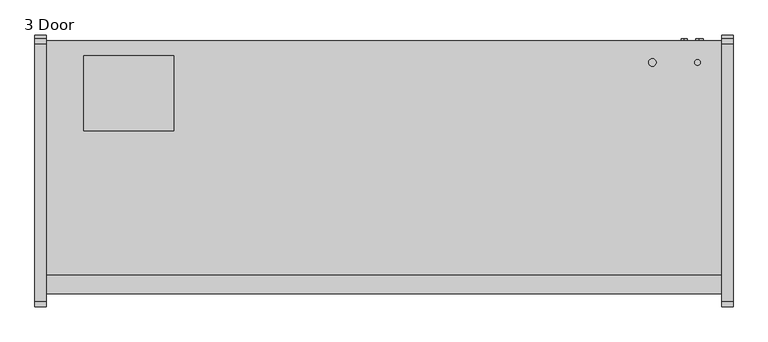
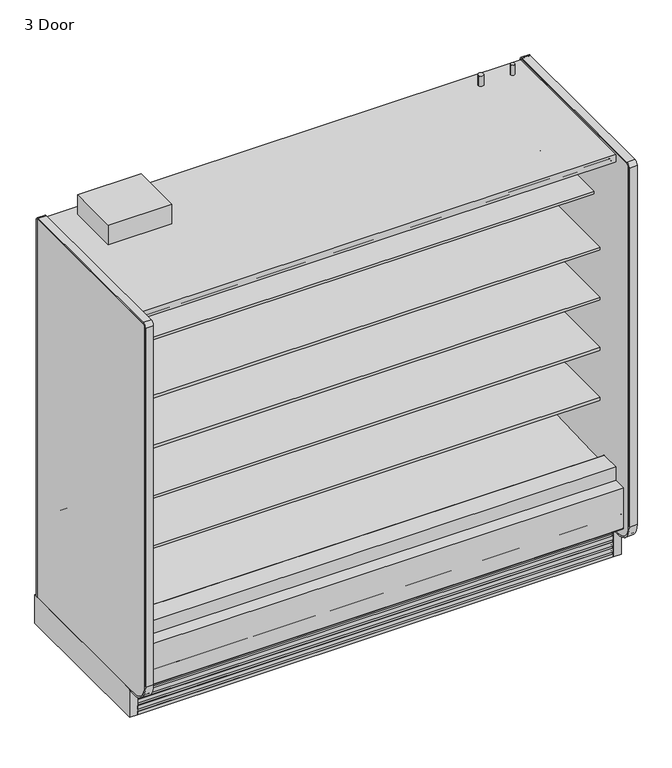
"""IFC4 building model written with IfcOpenShell, lengths in millimetres: proxy geometry, 3 Door."""

from ifc_helpers import new_model, si_unit, point, frame, frame_2d, origin, origin_with_axes, place, context, project, spatial, polyline, circle_curve, trimmed, segment, composite_curve, outline, extrude, source, transform, mapped, element, save
from ifc_brep_helpers import plane_surface, revolved_surface, advanced_brep


def proxy_3_door_563b2400(model_context):
    return source(origin(), model_context, "Body", "SolidModel", [
        extrude(outline(composite_curve([segment(trimmed(circle_curve(frame_2d((2203.45, -429.4247809)), 9.525), [point((2193.925, -429.4247809))], [point((2212.975, -429.4247809))], False, "CARTESIAN"), True, "CONTINUOUS"), segment(trimmed(circle_curve(frame_2d((2203.45, -429.4247809)), 9.525), [point((2212.975, -429.4247809))], [point((2193.925, -429.4247809))], False, "CARTESIAN"), True, "CONTINUOUS")], self_intersect=False)), frame((0.0, 0.0, 2058.9904091), z_axis=(0.0, 0.0, 1.0), x_axis=(1.0, 0.0, 0.0)), (0.0, 0.0, 1.0), 50.8),
        extrude(outline(composite_curve([segment(trimmed(circle_curve(frame_2d((2051.05, -429.4247809)), 12.7), [point((2038.35, -429.4247809))], [point((2063.75, -429.4247809))], False, "CARTESIAN"), True, "CONTINUOUS"), segment(trimmed(circle_curve(frame_2d((2051.05, -429.4247809)), 12.7), [point((2063.75, -429.4247809))], [point((2038.35, -429.4247809))], False, "CARTESIAN"), True, "CONTINUOUS")], self_intersect=False)), frame((0.0, 0.0, 2058.9904091), z_axis=(0.0, 0.0, 1.0), x_axis=(1.0, 0.0, 0.0)), (0.0, 0.0, 1.0), 50.8),
        extrude(outline(composite_curve([segment(polyline([(-349.0071273, 2056.656972), (-349.0071273, 143.2306), (-355.3571273, 143.2306), (-355.3571273, 2056.656972)]), True, "CONTINUOUS"), segment(trimmed(circle_curve(frame_2d((-365.6251553, 2056.656972)), 10.268028), [point((-355.3571273, 2056.656972))], [point((-365.6251553, 2066.925))], True, "CARTESIAN"), True, "CONTINUOUS"), segment(polyline([(-365.6251553, 2066.925), (-1237.4724391, 2066.925)]), True, "CONTINUOUS"), segment(trimmed(circle_curve(frame_2d((-1237.4724391, 2054.225)), 12.7), [point((-1237.4724391, 2066.925))], [point((-1250.1724391, 2054.225))], True, "CARTESIAN"), True, "CONTINUOUS"), segment(polyline([(-1250.1724391, 2054.225), (-1250.1724391, 232.1306)]), True, "CONTINUOUS"), segment(trimmed(circle_curve(frame_2d((-1161.2724391, 232.1306)), 88.9), [point((-1250.1724391, 232.1306))], [point((-1161.2724391, 143.2306))], True, "CARTESIAN"), True, "CONTINUOUS"), segment(polyline([(-1161.2724391, 143.2306), (-1124.0599223, 143.2306), (-1124.0599223, 136.8806), (-1161.2724391, 136.8806)]), True, "CONTINUOUS"), segment(trimmed(circle_curve(frame_2d((-1161.2724391, 232.1306)), 95.25), [point((-1161.2724391, 136.8806))], [point((-1256.5224391, 232.1306))], False, "CARTESIAN"), True, "CONTINUOUS"), segment(polyline([(-1256.5224391, 232.1306), (-1256.5224391, 2054.225)]), True, "CONTINUOUS"), segment(trimmed(circle_curve(frame_2d((-1237.4724391, 2054.225)), 19.05), [point((-1256.5224391, 2054.225))], [point((-1237.4724391, 2073.275))], False, "CARTESIAN"), True, "CONTINUOUS"), segment(polyline([(-1237.4724391, 2073.275), (-365.6251553, 2073.275)]), True, "CONTINUOUS"), segment(trimmed(circle_curve(frame_2d((-365.6251553, 2056.656972)), 16.618028), [point((-365.6251553, 2073.275))], [point((-349.0071273, 2056.656972))], False, "CARTESIAN"), True, "CONTINUOUS")], self_intersect=False)), frame((2286.0, 0.0, 0.0), z_axis=(1.0, 0.0, 0.0), x_axis=(0.0, 1.0, 0.0)), (0.0, 0.0, 1.0), 38.1),
        extrude(outline(polyline([(2324.1, -336.3071273), (2324.1, -1124.0599223), (2286.0, -1124.0599223), (2286.0, -336.3071273), (2324.1, -336.3071273)])), origin_with_axes(), (0.0, 0.0, 1.0), 143.2306),
        extrude(outline(composite_curve([segment(polyline([(-1250.1724391, 232.1306), (-1250.1724391, 2054.225)]), True, "CONTINUOUS"), segment(trimmed(circle_curve(frame_2d((-1237.4724391, 2054.225)), 12.7), [point((-1250.1724391, 2054.225))], [point((-1237.4724391, 2066.925))], False, "CARTESIAN"), True, "CONTINUOUS"), segment(polyline([(-1237.4724391, 2066.925), (-365.6251553, 2066.925)]), True, "CONTINUOUS"), segment(trimmed(circle_curve(frame_2d((-365.6251553, 2056.656972)), 10.268028), [point((-365.6251553, 2066.925))], [point((-355.3571273, 2056.656972))], False, "CARTESIAN"), True, "CONTINUOUS"), segment(polyline([(-355.3571273, 2056.656972), (-355.3571273, 143.2306), (-1161.2724391, 143.2306)]), True, "CONTINUOUS"), segment(trimmed(circle_curve(frame_2d((-1161.2724391, 232.1306)), 88.9), [point((-1161.2724391, 143.2306))], [point((-1250.1724391, 232.1306))], False, "CARTESIAN"), True, "CONTINUOUS")], self_intersect=False)), frame((2286.0, 0.0, 0.0), z_axis=(1.0, 0.0, 0.0), x_axis=(0.0, 1.0, 0.0)), (0.0, 0.0, 1.0), 38.1),
        extrude(outline(composite_curve([segment(polyline([(-1124.0599223, 136.8806), (-1161.2724391, 136.8806)]), True, "CONTINUOUS"), segment(trimmed(circle_curve(frame_2d((-1161.2724391, 232.1306)), 95.25), [point((-1161.2724391, 136.8806))], [point((-1256.5224391, 232.1306))], False, "CARTESIAN"), True, "CONTINUOUS"), segment(polyline([(-1256.5224391, 232.1306), (-1256.5224391, 2054.225)]), True, "CONTINUOUS"), segment(trimmed(circle_curve(frame_2d((-1237.4724391, 2054.225)), 19.05), [point((-1256.5224391, 2054.225))], [point((-1237.4724391, 2073.275))], False, "CARTESIAN"), True, "CONTINUOUS"), segment(polyline([(-1237.4724391, 2073.275), (-365.6251553, 2073.275)]), True, "CONTINUOUS"), segment(trimmed(circle_curve(frame_2d((-365.6251553, 2056.656972)), 16.618028), [point((-365.6251553, 2073.275))], [point((-349.0071273, 2056.656972))], False, "CARTESIAN"), True, "CONTINUOUS"), segment(polyline([(-349.0071273, 2056.656972), (-349.0071273, 143.2306), (-355.3571273, 143.2306), (-355.3571273, 2056.656972)]), True, "CONTINUOUS"), segment(trimmed(circle_curve(frame_2d((-365.6251553, 2056.656972)), 10.268028), [point((-355.3571273, 2056.656972))], [point((-365.6251553, 2066.925))], True, "CARTESIAN"), True, "CONTINUOUS"), segment(polyline([(-365.6251553, 2066.925), (-1237.4724391, 2066.925)]), True, "CONTINUOUS"), segment(trimmed(circle_curve(frame_2d((-1237.4724391, 2054.225)), 12.7), [point((-1237.4724391, 2066.925))], [point((-1250.1724391, 2054.225))], True, "CARTESIAN"), True, "CONTINUOUS"), segment(polyline([(-1250.1724391, 2054.225), (-1250.1724391, 232.1306)]), True, "CONTINUOUS"), segment(trimmed(circle_curve(frame_2d((-1161.2724391, 232.1306)), 88.9), [point((-1250.1724391, 232.1306))], [point((-1161.2724391, 143.2306))], True, "CARTESIAN"), True, "CONTINUOUS"), segment(polyline([(-1161.2724391, 143.2306), (-1124.0599223, 143.2306), (-1124.0599223, 136.8806)]), True, "CONTINUOUS")], self_intersect=False)), frame((-38.1, 0.0, 0.0), z_axis=(1.0, 0.0, 0.0), x_axis=(0.0, 1.0, 0.0)), (0.0, 0.0, 1.0), 38.1),
        extrude(outline(polyline([(0.0, -336.3071273), (0.0, -1124.0599223), (-38.1, -1124.0599223), (-38.1, -336.3071273), (0.0, -336.3071273)])), origin_with_axes(), (0.0, 0.0, 1.0), 143.2306),
        extrude(outline(composite_curve([segment(polyline([(-1250.1724391, 232.1306), (-1250.1724391, 2054.225)]), True, "CONTINUOUS"), segment(trimmed(circle_curve(frame_2d((-1237.4724391, 2054.225)), 12.7), [point((-1250.1724391, 2054.225))], [point((-1237.4724391, 2066.925))], False, "CARTESIAN"), True, "CONTINUOUS"), segment(polyline([(-1237.4724391, 2066.925), (-365.6251553, 2066.925)]), True, "CONTINUOUS"), segment(trimmed(circle_curve(frame_2d((-365.6251553, 2056.656972)), 10.268028), [point((-365.6251553, 2066.925))], [point((-355.3571273, 2056.656972))], False, "CARTESIAN"), True, "CONTINUOUS"), segment(polyline([(-355.3571273, 2056.656972), (-355.3571273, 143.2306), (-1137.131026, 143.2306), (-1161.2724391, 143.2306)]), True, "CONTINUOUS"), segment(trimmed(circle_curve(frame_2d((-1161.2724391, 232.1306)), 88.9), [point((-1161.2724391, 143.2306))], [point((-1250.1724391, 232.1306))], False, "CARTESIAN"), True, "CONTINUOUS")], self_intersect=False)), frame((-38.1, 0.0, 0.0), z_axis=(1.0, 0.0, 0.0), x_axis=(0.0, 1.0, 0.0)), (0.0, 0.0, 1.0), 38.1),
        extrude(outline(polyline([(0.0, -76.2), (0.0, 0.0), (2286.0, 0.0), (2286.0, -76.2), (0.0, -76.2)])), frame((2286.0, -1079.2958538, 1988.0577862), z_axis=(0.0, 0.09315347017682277, 0.9956517619097633), x_axis=(-1.0, 0.0, 0.0)), (0.0, 0.0, 1.0), 12.7),
        extrude(outline(composite_curve([segment(trimmed(circle_curve(frame_2d((-1205.0506273, 199.8107889)), 6.35), [point((-1201.8764382, 194.3110595))], [point((-1211.4006273, 199.8107889))], False, "CARTESIAN"), True, "CONTINUOUS"), segment(polyline([(-1211.4006273, 199.8107889), (-1211.4006273, 404.6728), (-1147.784197, 404.6728), (-1147.784197, 395.1732), (-1196.1987273, 395.1732), (-1196.1987273, 260.4549459), (-1151.8090876, 223.2076157), (-1201.8764382, 194.3110595)]), True, "CONTINUOUS")], self_intersect=False)), frame((0.0, 0.0, 0.0), z_axis=(1.0, 0.0, 0.0), x_axis=(0.0, 1.0, 0.0)), (0.0, 0.0, 1.0), 2286.0),
        extrude(outline(polyline([(431.8422466, -406.1571273), (431.8422466, -660.1571273), (127.0, -660.1571273), (127.0, -406.1571273), (431.8422466, -406.1571273)])), frame((0.0, 0.0, 2058.9904091), z_axis=(0.0, 0.0, 1.0), x_axis=(1.0, 0.0, 0.0)), (0.0, 0.0, 1.0), 100.0095909),
        advanced_brep(
        [(2286.0, -1124.0599223, 0.0), (2286.0, -1111.0071273, 0.0), (2286.0, -1111.0071273, 189.0201105), (2286.0, -1118.1695038, 194.9418778), (2286.0, -1118.1695038, 167.3928018), (2286.0, -1119.7599344, 165.8023712), (2286.0, -1119.7599344, 146.7523712), (2286.0, -1117.4655682, 147.966845), (2286.0, -1114.0015384, 146.7880867), (2286.0, -1120.0983392, 136.4191003), (2286.0, -1120.6941527, 135.8232868), (2286.0, -1120.6941527, 116.7732868), (2286.0, -1118.3997865, 117.9877605), (2286.0, -1114.9357567, 116.8090023), (2286.0, -1121.0325575, 106.4400158), (2286.0, -1121.628371, 105.8442023), (2286.0, -1121.628371, 86.7942023), (2286.0, -1119.3340048, 88.0086761), (2286.0, -1115.869975, 86.8299178), (2286.0, -1121.9667759, 76.4609313), (2286.0, -1122.5625893, 75.8651179), (2286.0, -1122.5625893, 56.8151179), (2286.0, -1120.2682231, 58.0295916), (2286.0, -1116.8041934, 56.8508334), (2286.0, -1122.9009942, 46.4818469), (2286.0, -1123.4968077, 45.8860334), (2286.0, -1123.4968077, 26.8360334), (2286.0, -1121.2024415, 28.0505071), (2286.0, -1117.7384117, 26.8717489), (2286.0, -1123.8352125, 16.5027624), (2286.0, -1124.0599223, 15.4000228), (0.0, -1124.0599223, 0.0), (0.0, -1124.0599223, 15.4000228), (0.0, -1123.8352125, 16.5027624), (0.0, -1117.7046569, 26.7952908), (0.0, -1121.2024415, 28.0505071), (0.0, -1123.4968077, 26.8360334), (0.0, -1123.4968077, 45.8860334), (0.0, -1122.9009942, 46.4818469), (0.0, -1116.7704385, 56.7743753), (0.0, -1120.2682231, 58.0295916), (0.0, -1122.5625893, 56.8151179), (0.0, -1122.5625893, 75.8651179), (0.0, -1121.9667759, 76.4609313), (0.0, -1115.8362202, 86.7534597), (0.0, -1119.3340048, 88.0086761), (0.0, -1121.628371, 86.7942023), (0.0, -1121.628371, 105.8442023), (0.0, -1121.0325575, 106.4400158), (0.0, -1114.9020019, 116.7325442), (0.0, -1118.3997865, 117.9877605), (0.0, -1120.6941527, 116.7732868), (0.0, -1120.6941527, 135.8232868), (0.0, -1120.0983392, 136.4191003), (0.0, -1113.9677835, 146.7116287), (0.0, -1117.4655682, 147.966845), (0.0, -1119.7599344, 146.7523712), (0.0, -1119.7599344, 165.8023712), (0.0, -1118.1695038, 167.3928018), (0.0, -1118.1695038, 194.9418778), (0.0, -1111.0071273, 189.0201105), (0.0, -1111.0071273, 0.0)],
        [
            (0, 1),
            (1, 2),
            (2, 3),
            (3, 4),
            (4, 5),
            (5, 6),
            (6, 7),
            (7, 8, circle_curve(frame((2286.0, -1116.2892235, 145.7445117), z_axis=(-1.0, 0.0, 0.0), x_axis=(0.0, 1.0, 0.0)), 2.5144685)),
            (8, 9, circle_curve(frame((2286.0, -1120.7858609, 143.8006506), z_axis=(-1.0, 0.0, 0.0), x_axis=(0.0, 1.0, 0.0)), 7.4134993)),
            (9, 10),
            (10, 11),
            (11, 12),
            (12, 13, circle_curve(frame((2286.0, -1117.2234418, 115.7654272), z_axis=(-1.0, 0.0, 0.0), x_axis=(0.0, 1.0, 0.0)), 2.5144685)),
            (13, 14, circle_curve(frame((2286.0, -1121.7200792, 113.8215662), z_axis=(-1.0, 0.0, 0.0), x_axis=(0.0, 1.0, 0.0)), 7.4134993)),
            (14, 15),
            (15, 16),
            (16, 17),
            (17, 18, circle_curve(frame((2286.0, -1118.1576601, 85.7863428), z_axis=(-1.0, 0.0, 0.0), x_axis=(0.0, 1.0, 0.0)), 2.5144685)),
            (18, 19, circle_curve(frame((2286.0, -1122.6542976, 83.8424817), z_axis=(-1.0, 0.0, 0.0), x_axis=(0.0, 1.0, 0.0)), 7.4134993)),
            (19, 20),
            (20, 21),
            (21, 22),
            (22, 23, circle_curve(frame((2286.0, -1119.0918785, 55.8072583), z_axis=(-1.0, 0.0, 0.0), x_axis=(0.0, 1.0, 0.0)), 2.5144685)),
            (23, 24, circle_curve(frame((2286.0, -1123.5885159, 53.8633973), z_axis=(-1.0, 0.0, 0.0), x_axis=(0.0, 1.0, 0.0)), 7.4134993)),
            (24, 25),
            (25, 26),
            (26, 27),
            (27, 28, circle_curve(frame((2286.0, -1120.0260968, 25.8281739), z_axis=(-1.0, 0.0, 0.0), x_axis=(0.0, 1.0, 0.0)), 2.5144685)),
            (28, 29, circle_curve(frame((2286.0, -1124.5227342, 23.8843128), z_axis=(-1.0, 0.0, 0.0), x_axis=(0.0, 1.0, 0.0)), 7.4134993)),
            (29, 30),
            (30, 0),
            (31, 32),
            (32, 33),
            (33, 34, circle_curve(frame((0.0, -1124.5227342, 23.8843128), z_axis=(1.0, 0.0, 0.0), x_axis=(0.0, 1.0, 0.0)), 7.4134993)),
            (34, 35, circle_curve(frame((0.0, -1120.0260968, 25.8281739), z_axis=(1.0, 0.0, 0.0), x_axis=(0.0, 1.0, 0.0)), 2.5144685)),
            (35, 36),
            (36, 37),
            (37, 38),
            (38, 39, circle_curve(frame((0.0, -1123.5885159, 53.8633973), z_axis=(1.0, 0.0, 0.0), x_axis=(0.0, 1.0, 0.0)), 7.4134993)),
            (39, 40, circle_curve(frame((0.0, -1119.0918785, 55.8072583), z_axis=(1.0, 0.0, 0.0), x_axis=(0.0, 1.0, 0.0)), 2.5144685)),
            (40, 41),
            (41, 42),
            (42, 43),
            (43, 44, circle_curve(frame((0.0, -1122.6542976, 83.8424817), z_axis=(1.0, 0.0, 0.0), x_axis=(0.0, 1.0, 0.0)), 7.4134993)),
            (44, 45, circle_curve(frame((0.0, -1118.1576601, 85.7863428), z_axis=(1.0, 0.0, 0.0), x_axis=(0.0, 1.0, 0.0)), 2.5144685)),
            (45, 46),
            (46, 47),
            (47, 48),
            (48, 49, circle_curve(frame((0.0, -1121.7200792, 113.8215662), z_axis=(1.0, 0.0, 0.0), x_axis=(0.0, 1.0, 0.0)), 7.4134993)),
            (49, 50, circle_curve(frame((0.0, -1117.2234418, 115.7654272), z_axis=(1.0, 0.0, 0.0), x_axis=(0.0, 1.0, 0.0)), 2.5144685)),
            (50, 51),
            (51, 52),
            (52, 53),
            (53, 54, circle_curve(frame((0.0, -1120.7858609, 143.8006506), z_axis=(1.0, 0.0, 0.0), x_axis=(0.0, 1.0, 0.0)), 7.4134993)),
            (54, 55, circle_curve(frame((0.0, -1116.2892235, 145.7445117), z_axis=(1.0, 0.0, 0.0), x_axis=(0.0, 1.0, 0.0)), 2.5144685)),
            (55, 56),
            (56, 57),
            (57, 58),
            (58, 59),
            (59, 60),
            (60, 61),
            (61, 31),
            (0, 31),
            (61, 1),
            (60, 2),
            (59, 3),
            (58, 4),
            (57, 5),
            (56, 6),
            (55, 7),
            (54, 8),
            (53, 9),
            (52, 10),
            (51, 11),
            (50, 12),
            (49, 13),
            (48, 14),
            (47, 15),
            (46, 16),
            (45, 17),
            (44, 18),
            (43, 19),
            (42, 20),
            (41, 21),
            (40, 22),
            (39, 23),
            (38, 24),
            (37, 25),
            (36, 26),
            (35, 27),
            (34, 28),
            (33, 29),
            (30, 32),
        ],
        [
            plane_surface(frame((2286.0, -1111.0071273, 0.0), z_axis=(1.0, 0.0, 0.0), x_axis=(0.0, 1.0, 0.0))),
            plane_surface(frame((0.0, -1111.0071273, 0.0), z_axis=(-1.0, 0.0, 0.0), x_axis=(0.0, -1.0, 0.0))),
            plane_surface(frame((2286.0, -1124.0599223, 0.0), z_axis=(0.0, 0.0, -1.0), x_axis=(-1.0, 0.0, 0.0))),
            plane_surface(frame((2286.0, -1111.0071273, 0.0), z_axis=(0.0, 1.0, 0.0), x_axis=(-1.0, 0.0, 0.0))),
            plane_surface(frame((2286.0, -1111.0071273, 189.0201105), z_axis=(0.0, 0.6372025590230975, 0.7706963726231076), x_axis=(-1.0, 0.0, 0.0))),
            plane_surface(frame((2286.0, -1118.1695038, 194.9418778), z_axis=(0.0, -1.0, 0.0), x_axis=(-1.0, 0.0, 0.0))),
            plane_surface(frame((2286.0, -1118.1695038, 167.3928018), z_axis=(0.0, -0.7071067811865249, 0.7071067811865701), x_axis=(-1.0, 0.0, 0.0))),
            plane_surface(frame((2286.0, -1119.7599344, 165.8023712), z_axis=(0.0, -1.0, 0.0), x_axis=(-1.0, 0.0, 0.0))),
            plane_surface(frame((2286.0, -1119.7599344, 146.7523712), z_axis=(0.0, 0.46783034066877954, -0.8838182914772322), x_axis=(-1.0, 0.0, 0.0))),
            revolved_surface(polyline([(0.0, -1113.774755, 145.7445117), (2286.0, -1113.774755, 145.7445117)]), (0.0, -1116.2892235, 145.7445117), (-1.0, 0.0, 0.0)),
            revolved_surface(polyline([(0.0, -1113.3723616, 143.8006506), (2286.0, -1113.3723616, 143.8006506)]), (0.0, -1120.7858609, 143.8006506), (-1.0, 0.0, 0.0)),
            plane_surface(frame((2286.0, -1120.0983392, 136.4191003), z_axis=(0.0, -0.7071067811865174, 0.7071067811865777), x_axis=(-1.0, 0.0, 0.0))),
            plane_surface(frame((2286.0, -1120.6941527, 135.8232868), z_axis=(0.0, -1.0, 0.0), x_axis=(-1.0, 0.0, 0.0))),
            plane_surface(frame((2286.0, -1120.6941527, 116.7732868), z_axis=(0.0, 0.46783034066877444, -0.8838182914772349), x_axis=(-1.0, 0.0, 0.0))),
            revolved_surface(polyline([(0.0, -1114.7089733, 115.7654272), (2286.0, -1114.7089733, 115.7654272)]), (0.0, -1117.2234418, 115.7654272), (-1.0, 0.0, 0.0)),
            revolved_surface(polyline([(0.0, -1114.3065799, 113.8215662), (2286.0, -1114.3065799, 113.8215662)]), (0.0, -1121.7200792, 113.8215662), (-1.0, 0.0, 0.0)),
            plane_surface(frame((2286.0, -1121.0325575, 106.4400158), z_axis=(0.0, -0.7071067811865275, 0.7071067811865677), x_axis=(-1.0, 0.0, 0.0))),
            plane_surface(frame((2286.0, -1121.628371, 105.8442023), z_axis=(0.0, -1.0, 0.0), x_axis=(-1.0, 0.0, 0.0))),
            plane_surface(frame((2286.0, -1121.628371, 86.7942023), z_axis=(0.0, 0.46783034066877954, -0.8838182914772322), x_axis=(-1.0, 0.0, 0.0))),
            revolved_surface(polyline([(0.0, -1115.6431916, 85.7863428), (2286.0, -1115.6431916, 85.7863428)]), (0.0, -1118.1576601, 85.7863428), (-1.0, 0.0, 0.0)),
            revolved_surface(polyline([(0.0, -1115.2407983, 83.8424817), (2286.0, -1115.2407983, 83.8424817)]), (0.0, -1122.6542976, 83.8424817), (-1.0, 0.0, 0.0)),
            plane_surface(frame((2286.0, -1121.9667759, 76.4609313), z_axis=(0.0, -0.7071067811865225, 0.7071067811865727), x_axis=(-1.0, 0.0, 0.0))),
            plane_surface(frame((2286.0, -1122.5625893, 75.8651179), z_axis=(0.0, -1.0, 0.0), x_axis=(-1.0, 0.0, 0.0))),
            plane_surface(frame((2286.0, -1122.5625893, 56.8151179), z_axis=(0.0, 0.46783034066877954, -0.8838182914772322), x_axis=(-1.0, 0.0, 0.0))),
            revolved_surface(polyline([(0.0, -1116.5774099999999, 55.8072583), (2286.0, -1116.5774099999999, 55.8072583)]), (0.0, -1119.0918785, 55.8072583), (-1.0, 0.0, 0.0)),
            revolved_surface(polyline([(0.0, -1116.1750166, 53.8633973), (2286.0, -1116.1750166, 53.8633973)]), (0.0, -1123.5885159, 53.8633973), (-1.0, 0.0, 0.0)),
            plane_surface(frame((2286.0, -1122.9009942, 46.4818469), z_axis=(0.0, -0.7071067811865275, 0.7071067811865677), x_axis=(-1.0, 0.0, 0.0))),
            plane_surface(frame((2286.0, -1123.4968077, 45.8860334), z_axis=(0.0, -1.0, 0.0), x_axis=(-1.0, 0.0, 0.0))),
            plane_surface(frame((2286.0, -1123.4968077, 26.8360334), z_axis=(0.0, 0.46783034066877954, -0.8838182914772322), x_axis=(-1.0, 0.0, 0.0))),
            revolved_surface(polyline([(0.0, -1117.5116283, 25.8281739), (2286.0, -1117.5116283, 25.8281739)]), (0.0, -1120.0260968, 25.8281739), (-1.0, 0.0, 0.0)),
            revolved_surface(polyline([(0.0, -1117.1092349, 23.8843128), (2286.0, -1117.1092349, 23.8843128)]), (0.0, -1124.5227342, 23.8843128), (-1.0, 0.0, 0.0)),
            plane_surface(frame((2286.0, -1124.0599223, 15.4000228), z_axis=(0.0, -1.0, 0.0), x_axis=(-1.0, 0.0, 0.0))),
            plane_surface(frame((2286.0, -1123.8352125, 16.5027624), z_axis=(0.0, -0.9798630437033696, 0.19967076797660804), x_axis=(-1.0, 0.0, 0.0))),
        ],
        [
            (0, [[1, 2, 3, 4, 5, 6, 7, 8, 9, 10, 11, 12, 13, 14, 15, 16, 17, 18, 19, 20, 21, 22, 23, 24, 25, 26, 27, 28, 29, 30, 31]]),
            (1, [[32, 33, 34, 35, 36, 37, 38, 39, 40, 41, 42, 43, 44, 45, 46, 47, 48, 49, 50, 51, 52, 53, 54, 55, 56, 57, 58, 59, 60, 61, 62]]),
            (2, [[-1, 63, -62, 64]]),
            (3, [[-2, -64, -61, 65]]),
            (4, [[-3, -65, -60, 66]]),
            (5, [[-4, -66, -59, 67]]),
            (6, [[-5, -67, -58, 68]]),
            (7, [[-6, -68, -57, 69]]),
            (8, [[-7, -69, -56, 70]]),
            (9, [[-8, -70, -55, 71]]),
            (10, [[-9, -71, -54, 72]]),
            (11, [[-10, -72, -53, 73]]),
            (12, [[-11, -73, -52, 74]]),
            (13, [[-12, -74, -51, 75]]),
            (14, [[-13, -75, -50, 76]]),
            (15, [[-14, -76, -49, 77]]),
            (16, [[-15, -77, -48, 78]]),
            (17, [[-16, -78, -47, 79]]),
            (18, [[-17, -79, -46, 80]]),
            (19, [[-18, -80, -45, 81]]),
            (20, [[-19, -81, -44, 82]]),
            (21, [[-20, -82, -43, 83]]),
            (22, [[-21, -83, -42, 84]]),
            (23, [[-22, -84, -41, 85]]),
            (24, [[-23, -85, -40, 86]]),
            (25, [[-24, -86, -39, 87]]),
            (26, [[-25, -87, -38, 88]]),
            (27, [[-26, -88, -37, 89]]),
            (28, [[-27, -89, -36, 90]]),
            (29, [[-28, -90, -35, 91]]),
            (30, [[-29, -91, -34, 92]]),
            (31, [[-31, 93, -32, -63]]),
            (32, [[-30, -92, -33, -93]]),
        ],
    ),
        extrude(outline(composite_curve([segment(polyline([(-457.027044, 1659.5875245), (-468.1349362, 1659.3712074)]), True, "CONTINUOUS"), segment(trimmed(circle_curve(frame_2d((-468.6228819, 1684.4272352)), 25.0607786), [point((-468.1349362, 1659.3712074))], [point((-484.5302045, 1665.062326))], False, "CARTESIAN"), True, "CONTINUOUS"), segment(polyline([(-484.5302045, 1665.062326), (-522.7519051, 1696.1455946)]), True, "CONTINUOUS"), segment(trimmed(circle_curve(frame_2d((-562.8163782, 1646.8801098)), 63.5), [point((-522.7519051, 1696.1455946))], [point((-555.8383697, 1709.9955389))], True, "CARTESIAN"), True, "CONTINUOUS"), segment(polyline([(-555.8383697, 1709.9955389), (-850.9210421, 1742.6197236), (-850.9210421, 1746.90405), (-965.027044, 1746.90405), (-965.027044, 1760.3978), (-457.027044, 1760.3978), (-457.027044, 1659.5875245)]), True, "CONTINUOUS")], self_intersect=False)), frame((0.0, 0.0, 0.0), z_axis=(1.0, 0.0, 0.0), x_axis=(0.0, 1.0, 0.0)), (0.0, 0.0, 1.0), 2286.0),
        extrude(outline(composite_curve([segment(polyline([(-457.027044, 643.5875245), (-468.1349362, 643.3712074)]), True, "CONTINUOUS"), segment(trimmed(circle_curve(frame_2d((-468.6228819, 668.4272352)), 25.0607786), [point((-468.1349362, 643.3712074))], [point((-484.5302045, 649.062326))], False, "CARTESIAN"), True, "CONTINUOUS"), segment(polyline([(-484.5302045, 649.062326), (-522.7519051, 680.1455946)]), True, "CONTINUOUS"), segment(trimmed(circle_curve(frame_2d((-562.8163782, 630.8801098)), 63.5), [point((-522.7519051, 680.1455946))], [point((-555.9633688, 694.0092335))], True, "CARTESIAN"), True, "CONTINUOUS"), segment(polyline([(-555.9633688, 694.0092335), (-901.7210421, 726.6197236), (-901.7210421, 730.90405), (-1015.827044, 730.90405), (-1015.827044, 744.3978), (-457.027044, 744.3978), (-457.027044, 643.5875245)]), True, "CONTINUOUS")], self_intersect=False)), frame((0.0, 0.0, 0.0), z_axis=(1.0, 0.0, 0.0), x_axis=(0.0, 1.0, 0.0)), (0.0, 0.0, 1.0), 2286.0),
        extrude(outline(composite_curve([segment(polyline([(-457.027044, 897.5875245), (-468.1349362, 897.3712074)]), True, "CONTINUOUS"), segment(trimmed(circle_curve(frame_2d((-468.6228819, 922.4272352)), 25.0607786), [point((-468.1349362, 897.3712074))], [point((-484.5302045, 903.062326))], False, "CARTESIAN"), True, "CONTINUOUS"), segment(polyline([(-484.5302045, 903.062326), (-522.7519051, 934.1455946)]), True, "CONTINUOUS"), segment(trimmed(circle_curve(frame_2d((-562.8163782, 884.8801098)), 63.5), [point((-522.7519051, 934.1455946))], [point((-555.9633688, 948.0092335))], True, "CARTESIAN"), True, "CONTINUOUS"), segment(polyline([(-555.9633688, 948.0092335), (-901.7210421, 980.6197236), (-901.7210421, 984.90405), (-1015.827044, 984.90405), (-1015.827044, 998.3978), (-457.027044, 998.3978), (-457.027044, 897.5875245)]), True, "CONTINUOUS")], self_intersect=False)), frame((0.0, 0.0, 0.0), z_axis=(1.0, 0.0, 0.0), x_axis=(0.0, 1.0, 0.0)), (0.0, 0.0, 1.0), 2286.0),
        extrude(outline(composite_curve([segment(polyline([(-457.027044, 1151.5875245), (-468.1349362, 1151.3712074)]), True, "CONTINUOUS"), segment(trimmed(circle_curve(frame_2d((-468.6228819, 1176.4272352)), 25.0607786), [point((-468.1349362, 1151.3712074))], [point((-484.5302045, 1157.062326))], False, "CARTESIAN"), True, "CONTINUOUS"), segment(polyline([(-484.5302045, 1157.062326), (-522.7519051, 1188.1455946)]), True, "CONTINUOUS"), segment(trimmed(circle_curve(frame_2d((-562.8163782, 1138.8801098)), 63.5), [point((-522.7519051, 1188.1455946))], [point((-555.9633688, 1202.0092335))], True, "CARTESIAN"), True, "CONTINUOUS"), segment(polyline([(-555.9633688, 1202.0092335), (-901.7210421, 1234.6197236), (-901.7210421, 1238.90405), (-1015.827044, 1238.90405), (-1015.827044, 1252.3978), (-457.027044, 1252.3978), (-457.027044, 1151.5875245)]), True, "CONTINUOUS")], self_intersect=False)), frame((0.0, 0.0, 0.0), z_axis=(1.0, 0.0, 0.0), x_axis=(0.0, 1.0, 0.0)), (0.0, 0.0, 1.0), 2286.0),
        extrude(outline(composite_curve([segment(polyline([(-457.027044, 1405.5875245), (-468.1349362, 1405.3712074)]), True, "CONTINUOUS"), segment(trimmed(circle_curve(frame_2d((-468.6228819, 1430.4272352)), 25.0607786), [point((-468.1349362, 1405.3712074))], [point((-484.5302045, 1411.062326))], False, "CARTESIAN"), True, "CONTINUOUS"), segment(polyline([(-484.5302045, 1411.062326), (-522.7519051, 1442.1455946)]), True, "CONTINUOUS"), segment(trimmed(circle_curve(frame_2d((-562.8163782, 1392.8801098)), 63.5), [point((-522.7519051, 1442.1455946))], [point((-555.9633688, 1456.0092335))], True, "CARTESIAN"), True, "CONTINUOUS"), segment(polyline([(-555.9633688, 1456.0092335), (-901.7210421, 1488.6197236), (-901.7210421, 1492.90405), (-1015.827044, 1492.90405), (-1015.827044, 1506.3978), (-457.027044, 1506.3978), (-457.027044, 1405.5875245)]), True, "CONTINUOUS")], self_intersect=False)), frame((0.0, 0.0, 0.0), z_axis=(1.0, 0.0, 0.0), x_axis=(0.0, 1.0, 0.0)), (0.0, 0.0, 1.0), 2286.0),
        advanced_brep(
        [(2286.0, -355.3571273, 130.5306), (2286.0, -355.3571273, 2057.4), (2286.0, -1147.784197, 2057.4), (2286.0, -1147.784197, 2020.2201079), (2286.0, -405.5224764, 2020.2201079), (2286.0, -405.5224764, 220.2495555), (2286.0, -866.2322128, 192.9404113), (2286.0, -906.3154388, 159.4459345), (2286.0, -970.8177493, 157.1934642), (2286.0, -1016.169944, 190.0023738), (2286.0, -1033.5218065, 189.3964335), (2286.0, -1147.784197, 285.2739632), (2286.0, -1147.784197, 395.1732), (2286.0, -1196.1987273, 395.1732), (2286.0, -1196.1987273, 260.4549459), (2286.0, -1041.3609213, 130.5306), (0.0, -355.3571273, 130.5306), (0.0, -1041.3609213, 130.5306), (0.0, -1196.1987273, 260.4549459), (0.0, -1196.1987273, 395.1732), (0.0, -1147.784197, 395.1732), (0.0, -1147.784197, 285.2739632), (0.0, -1033.5218065, 189.3964335), (0.0, -1016.169944, 190.0023738), (0.0, -970.8177493, 157.1934642), (0.0, -906.3154388, 159.4459345), (0.0, -866.2322128, 192.9404113), (0.0, -405.5224764, 220.2495555), (0.0, -405.5224764, 2020.2201079), (0.0, -1147.784197, 2020.2201079), (0.0, -1147.784197, 2057.4), (0.0, -355.3571273, 2057.4), (2184.4, -355.3571273, 303.2125), (2184.4, -355.3571273, 404.8125), (2184.4, -390.6253644, 303.2125), (2184.4, -390.6253644, 404.8125)],
        [
            (0, 1),
            (1, 2),
            (2, 3),
            (3, 4),
            (4, 5),
            (5, 6),
            (6, 7),
            (7, 8),
            (8, 9),
            (9, 10),
            (10, 11),
            (11, 12),
            (12, 13),
            (13, 14),
            (14, 15),
            (15, 0),
            (16, 17),
            (17, 18),
            (18, 19),
            (19, 20),
            (20, 21),
            (21, 22),
            (22, 23),
            (23, 24),
            (24, 25),
            (25, 26),
            (26, 27),
            (27, 28),
            (28, 29),
            (29, 30),
            (30, 31),
            (31, 16),
            (0, 16),
            (31, 1),
            (32, 33, circle_curve(frame((2184.4, -355.3571273, 354.0125), z_axis=(0.0, -1.0, 0.0), x_axis=(0.0, 0.0, 1.0)), 50.8)),
            (33, 32, circle_curve(frame((2184.4, -355.3571273, 354.0125), z_axis=(0.0, -1.0, 0.0), x_axis=(0.0, 0.0, 1.0)), 50.8)),
            (30, 2),
            (29, 3),
            (28, 4),
            (27, 5),
            (15, 17),
            (34, 35, circle_curve(frame((2184.4, -390.6253644, 354.0125), z_axis=(0.0, 1.0, 0.0), x_axis=(0.0, 0.0, 1.0)), 50.8)),
            (35, 34, circle_curve(frame((2184.4, -390.6253644, 354.0125), z_axis=(0.0, 1.0, 0.0), x_axis=(0.0, 0.0, 1.0)), 50.8)),
            (35, 33),
            (32, 34),
            (6, 26),
            (25, 7),
            (24, 8),
            (23, 9),
            (22, 10),
            (21, 11),
            (20, 12),
            (19, 13),
            (18, 14),
        ],
        [
            plane_surface(frame((2286.0, -355.3571273, 2046.3567079), z_axis=(1.0, 0.0, 0.0), x_axis=(0.0, 0.0, 1.0))),
            plane_surface(frame((0.0, -355.3571273, 2046.3567079), z_axis=(-1.0, 0.0, 0.0), x_axis=(0.0, 0.0, -1.0))),
            plane_surface(frame((2286.0, -355.3571273, 130.5306), z_axis=(0.0, 1.0, 0.0), x_axis=(-1.0, 0.0, 0.0))),
            plane_surface(frame((2286.0, -355.3571273, 2057.4), z_axis=(0.0, 0.0, 1.0), x_axis=(-1.0, 0.0, 0.0))),
            plane_surface(frame((2286.0, -1147.784197, 2057.4), z_axis=(0.0, -1.0, 0.0), x_axis=(-1.0, 0.0, 0.0))),
            plane_surface(frame((2286.0, -1147.784197, 2020.2201079), z_axis=(0.0, 0.0, -1.0), x_axis=(-1.0, 0.0, 0.0))),
            plane_surface(frame((2286.0, -405.5224764, 2020.2201079), z_axis=(0.0, -1.0, 0.0), x_axis=(-1.0, 0.0, 0.0))),
            plane_surface(frame((2286.0, -1041.3609213, 130.5306), z_axis=(0.0, 0.0, -1.0), x_axis=(-1.0, 0.0, 0.0))),
            plane_surface(frame((2184.4, -390.6253644, 404.8125), z_axis=(0.0, 1.0, 0.0), x_axis=(-1.0, 0.0, 0.0))),
            revolved_surface(polyline([(2184.4, -390.6253644, 404.8125), (2184.4, -355.3571273, 404.8125)]), (2184.4, -355.3571273, 354.0125), (0.0, -1.0, 0.0)),
            plane_surface(frame((2286.0, -866.2322128, 192.9404113), z_axis=(0.0, -0.6412208566386132, 0.7673563794037573), x_axis=(-1.0, 0.0, 0.0))),
            plane_surface(frame((2286.0, -906.3154388, 159.4459345), z_axis=(0.0, -0.03489949670245158, 0.9993908270190974), x_axis=(-1.0, 0.0, 0.0))),
            plane_surface(frame((2286.0, -970.8177493, 157.1934642), z_axis=(0.0, 0.5861307997256702, 0.8102164436821474), x_axis=(-1.0, 0.0, 0.0))),
            plane_surface(frame((2286.0, -1016.169944, 190.0023738), z_axis=(0.0, -0.034899496702486744, 0.9993908270190962), x_axis=(-1.0, 0.0, 0.0))),
            plane_surface(frame((2286.0, -405.5224764, 220.2495555), z_axis=(0.0, -0.059172381954877985, 0.9982477794684975), x_axis=(-1.0, 0.0, 0.0))),
            plane_surface(frame((2286.0, -1033.5218065, 189.3964335), z_axis=(0.0, 0.6427876096848525, 0.7660444431203935), x_axis=(-1.0, 0.0, 0.0))),
            plane_surface(frame((2286.0, -1147.784197, 285.2739632), z_axis=(0.0, 1.0, 0.0), x_axis=(-1.0, 0.0, 0.0))),
            plane_surface(frame((2286.0, -1147.784197, 395.1732), z_axis=(0.0, 0.0, 1.0), x_axis=(-1.0, 0.0, 0.0))),
            plane_surface(frame((2286.0, -1196.1987273, 395.1732), z_axis=(0.0, -1.0, 0.0), x_axis=(-1.0, 0.0, 0.0))),
            plane_surface(frame((2286.0, -1196.1987273, 260.4549459), z_axis=(0.0, -0.6427876096877204, -0.766044443117987), x_axis=(-1.0, 0.0, 0.0))),
        ],
        [
            (0, [[1, 2, 3, 4, 5, 6, 7, 8, 9, 10, 11, 12, 13, 14, 15, 16]]),
            (1, [[17, 18, 19, 20, 21, 22, 23, 24, 25, 26, 27, 28, 29, 30, 31, 32]]),
            (2, [[-1, 33, -32, 34], [35, 36]]),
            (3, [[-2, -34, -31, 37]]),
            (4, [[-3, -37, -30, 38]]),
            (5, [[-4, -38, -29, 39]]),
            (6, [[-5, -39, -28, 40]]),
            (7, [[-16, 41, -17, -33]]),
            (8, [[42, 43]]),
            (9, [[-43, 44, -35, 45]]),
            (9, [[-42, -45, -36, -44]]),
            (10, [[-7, 46, -26, 47]]),
            (11, [[-8, -47, -25, 48]]),
            (12, [[-9, -48, -24, 49]]),
            (13, [[-10, -49, -23, 50]]),
            (14, [[-6, -40, -27, -46]]),
            (15, [[-11, -50, -22, 51]]),
            (16, [[-12, -51, -21, 52]]),
            (17, [[-13, -52, -20, 53]]),
            (18, [[-14, -53, -19, 54]]),
            (19, [[-15, -54, -18, -41]]),
        ],
    ),
        extrude(outline(composite_curve([segment(polyline([(-457.027044, 445.7919218), (-405.5224764, 445.7919218), (-405.5224764, 220.2495555), (-866.2322128, 192.9404113), (-906.3154388, 159.4459345), (-970.8177493, 157.1934642), (-1016.169944, 190.0023738), (-1033.5218065, 189.3964335), (-1147.784197, 285.2739632), (-1147.784197, 471.3478), (-1049.6661273, 471.3478)]), True, "CONTINUOUS"), segment(trimmed(circle_curve(frame_2d((-1049.6661273, 469.2904)), 2.0574), [point((-1049.6661273, 471.3478))], [point((-1047.6087273, 469.2904))], False, "CARTESIAN"), True, "CONTINUOUS"), segment(polyline([(-1047.6087273, 469.2904), (-1047.6087273, 423.9708554), (-457.027044, 445.7919218)]), True, "CONTINUOUS")], self_intersect=False)), frame((0.0, 0.0, 0.0), z_axis=(1.0, 0.0, 0.0), x_axis=(0.0, 1.0, 0.0)), (0.0, 0.0, 1.0), 2286.0),
        extrude(outline(composite_curve([segment(polyline([(-1001.0821412, 1994.8201079), (-1001.0544494, 1996.4629758), (-1080.2451873, 2003.8720844), (-1080.2451873, 1993.3723079)]), True, "CONTINUOUS"), segment(trimmed(circle_curve(frame_2d((-1082.7851873, 1993.3723079)), 2.54), [point((-1080.2451873, 1993.3723079))], [point((-1082.7851873, 1990.8323079))], False, "CARTESIAN"), True, "CONTINUOUS"), segment(polyline([(-1082.7851873, 1990.8323079), (-1092.0053873, 1990.8323079)]), True, "CONTINUOUS"), segment(trimmed(circle_curve(frame_2d((-1092.0053873, 1993.3723079)), 2.54), [point((-1092.0053873, 1990.8323079))], [point((-1094.5453873, 1993.3723079))], False, "CARTESIAN"), True, "CONTINUOUS"), segment(polyline([(-1094.5453873, 1993.3723079), (-1094.5453873, 2001.1923066)]), True, "CONTINUOUS"), segment(trimmed(circle_curve(frame_2d((-1097.0853873, 2001.1923066)), 2.54), [point((-1094.5453873, 2001.1923066))], [point((-1097.0853873, 2003.7323066))], True, "CARTESIAN"), True, "CONTINUOUS"), segment(polyline([(-1097.0853873, 2003.7323066), (-1111.0553873, 2003.7323066)]), True, "CONTINUOUS"), segment(trimmed(circle_curve(frame_2d((-1111.0553873, 2006.2723066)), 2.54), [point((-1111.0553873, 2003.7323066))], [point((-1113.5953873, 2006.2723066))], False, "CARTESIAN"), True, "CONTINUOUS"), segment(polyline([(-1113.5953873, 2006.2723066), (-1113.5953873, 2007.5201079), (-1113.5953873, 2020.2201079), (-405.5224764, 2020.2201079), (-405.5224764, 445.7919218), (-457.027044, 445.7919218), (-457.027044, 1994.8201079), (-1001.0821412, 1994.8201079)]), True, "CONTINUOUS")], self_intersect=False)), frame((0.0, 0.0, 0.0), z_axis=(1.0, 0.0, 0.0), x_axis=(0.0, 1.0, 0.0)), (0.0, 0.0, 1.0), 2286.0),
        extrude(outline(polyline([(457.2, -1050.6821273), (457.2, -1114.594384), (254.0, -1114.594384), (254.0, -1050.6821273), (457.2, -1050.6821273)])), frame((0.0, 0.0, 44.45), z_axis=(0.0, 0.0, 1.0), x_axis=(1.0, 0.0, 0.0)), (0.0, 0.0, 1.0), 6.35),
        advanced_brep(
        [(2286.0, -1111.0071273, 188.9707058), (2286.0, -1111.0071273, 0.0), (2286.0, -964.9571273, 0.0), (2286.0, -964.9571273, 130.5306), (2286.0, -1041.3609213, 130.5306), (0.0, -1111.0071273, 188.9707058), (0.0, -1041.3609213, 130.5306), (0.0, -964.9571273, 130.5306), (0.0, -964.9571273, 0.0), (0.0, -1111.0071273, 0.0), (245.6409893, -1111.0071273, 0.0), (245.6409893, -1111.0071273, 50.8), (466.3154811, -1111.0071273, 50.8), (466.3154811, -1111.0071273, 0.0), (466.3154811, -1045.2097182, 0.0), (245.6409893, -1045.2097182, 0.0), (1097.3197047, -964.9571273, 0.0), (1188.6802953, -964.9571273, 0.0), (2018.2446396, -964.9571273, 0.0), (2112.4303604, -964.9571273, 0.0), (2112.4303604, -964.9571273, 127.0), (2018.2446396, -964.9571273, 127.0), (1188.6802953, -964.9571273, 127.0), (1097.3197047, -964.9571273, 127.0), (466.3154811, -1045.2097182, 50.8), (245.6409893, -1045.2097182, 50.8)],
        [
            (0, 1),
            (1, 2),
            (2, 3),
            (3, 4),
            (4, 0),
            (5, 6),
            (6, 7),
            (7, 8),
            (8, 9),
            (9, 5),
            (0, 5),
            (9, 10),
            (10, 11),
            (11, 12),
            (12, 13),
            (13, 1),
            (13, 14),
            (14, 15),
            (15, 10),
            (8, 16),
            (16, 17, circle_curve(frame((1143.0, -942.7321273, 0.0), z_axis=(0.0, 0.0, 1.0), x_axis=(1.0, 0.0, 0.0)), 50.8)),
            (17, 18),
            (18, 19, circle_curve(frame((2065.3375, -945.9071273, 0.0), z_axis=(0.0, 0.0, 1.0), x_axis=(1.0, 0.0, 0.0)), 50.8)),
            (19, 2),
            (19, 20),
            (20, 21),
            (21, 18),
            (17, 22),
            (22, 23),
            (23, 16),
            (7, 3),
            (6, 4),
            (24, 14),
            (12, 24),
            (15, 25),
            (25, 11),
            (24, 25),
            (22, 23, circle_curve(frame((1143.0, -942.7321273, 127.0), z_axis=(0.0, 0.0, -1.0), x_axis=(1.0, 0.0, 0.0)), 50.8)),
            (20, 21, circle_curve(frame((2065.3375, -945.9071273, 127.0), z_axis=(0.0, 0.0, -1.0), x_axis=(1.0, 0.0, 0.0)), 50.8)),
        ],
        [
            plane_surface(frame((2286.0, -1111.0071273, 0.0), z_axis=(1.0, 0.0, 0.0), x_axis=(0.0, 0.0, -1.0))),
            plane_surface(frame((0.0, -1111.0071273, 0.0), z_axis=(-1.0, 0.0, 0.0), x_axis=(0.0, 0.0, 1.0))),
            plane_surface(frame((2286.0, -1111.0071273, 188.9707058), z_axis=(0.0, -1.0, 0.0), x_axis=(-1.0, 0.0, 0.0))),
            plane_surface(frame((2286.0, -1111.0071273, 0.0), z_axis=(0.0, 0.0, -1.0), x_axis=(-1.0, 0.0, 0.0))),
            plane_surface(frame((2286.0, -964.9571273, 0.0), z_axis=(0.0, 1.0, 0.0), x_axis=(-1.0, 0.0, 0.0))),
            plane_surface(frame((2286.0, -964.9571273, 130.5306), z_axis=(0.0, 0.0, 1.0), x_axis=(-1.0, 0.0, 0.0))),
            plane_surface(frame((2286.0, -1041.3609213, 130.5306), z_axis=(0.0, 0.6427876096877104, 0.7660444431179954), x_axis=(-1.0, 0.0, 0.0))),
            plane_surface(frame((466.3154811, -1045.2097182, 0.0), z_axis=(-1.0, 0.0, 0.0), x_axis=(0.0, 1.0, 0.0))),
            plane_surface(frame((245.6409893, -1045.2097182, 0.0), z_axis=(1.0, 0.0, 0.0), x_axis=(0.0, -1.0, 0.0))),
            plane_surface(frame((466.3154811, -1045.2097182, 0.0), z_axis=(0.0, -1.0, 0.0), x_axis=(-1.0, 0.0, 0.0))),
            plane_surface(frame((466.3154811, -1045.2097182, 50.8), z_axis=(0.0, 0.0, -1.0), x_axis=(-1.0, 0.0, 0.0))),
            plane_surface(frame((1193.8, -942.7321273, 127.0), z_axis=(0.0, 0.0, -1.0), x_axis=(0.0, 1.0, 0.0))),
            revolved_surface(polyline([(1193.8, -942.7321273, 127.0), (1193.8, -942.7321273, 0.0)]), (1143.0, -942.7321273, 0.0), (0.0, 0.0, 1.0)),
            plane_surface(frame((2116.1375, -945.9071273, 127.0), z_axis=(0.0, 0.0, -1.0), x_axis=(0.0, 1.0, 0.0))),
            revolved_surface(polyline([(2116.1375000000003, -945.9071273, 127.0), (2116.1375000000003, -945.9071273, 0.0)]), (2065.3375, -945.9071273, 0.0), (0.0, 0.0, 1.0)),
        ],
        [
            (0, [[1, 2, 3, 4, 5]]),
            (1, [[6, 7, 8, 9, 10]]),
            (2, [[-1, 11, -10, 12, 13, 14, 15, 16]]),
            (3, [[-2, -16, 17, 18, 19, -12, -9, 20, 21, 22, 23, 24]]),
            (4, [[-3, -24, 25, 26, 27, -22, 28, 29, 30, -20, -8, 31]]),
            (5, [[-4, -31, -7, 32]]),
            (6, [[-5, -32, -6, -11]]),
            (7, [[33, -17, -15, 34]]),
            (8, [[35, 36, -13, -19]]),
            (9, [[-33, 37, -35, -18]]),
            (10, [[-37, -34, -14, -36]]),
            (11, [[38, -29]]),
            (12, [[-38, -28, -21, -30]]),
            (13, [[39, -26]]),
            (14, [[-39, -25, -23, -27]]),
        ],
    ),
        extrude(outline(composite_curve([segment(trimmed(circle_curve(frame_2d((354.0125, 2209.8)), 12.7), [point((341.3125, 2209.8))], [point((366.7125, 2209.8))], False, "CARTESIAN"), True, "CONTINUOUS"), segment(trimmed(circle_curve(frame_2d((354.0125, 2209.8)), 12.7), [point((366.7125, 2209.8))], [point((341.3125, 2209.8))], False, "CARTESIAN"), True, "CONTINUOUS")], self_intersect=False)), frame((0.0, -390.6253644, 0.0), z_axis=(0.0, 1.0, 0.0), x_axis=(0.0, 0.0, 1.0)), (0.0, 0.0, 1.0), 41.6182371),
        extrude(outline(composite_curve([segment(trimmed(circle_curve(frame_2d((354.0125, 2159.0)), 9.525), [point((344.4875, 2159.0))], [point((363.5375, 2159.0))], False, "CARTESIAN"), True, "CONTINUOUS"), segment(trimmed(circle_curve(frame_2d((354.0125, 2159.0)), 9.525), [point((363.5375, 2159.0))], [point((344.4875, 2159.0))], False, "CARTESIAN"), True, "CONTINUOUS")], self_intersect=False)), frame((0.0, -390.6253644, 0.0), z_axis=(0.0, 1.0, 0.0), x_axis=(0.0, 0.0, 1.0)), (0.0, 0.0, 1.0), 41.6182371),
        extrude(outline(composite_curve([segment(trimmed(circle_curve(frame_2d((1143.0, -942.7321273)), 38.1), [point((1104.9, -942.7321273))], [point((1181.1, -942.7321273))], False, "CARTESIAN"), True, "CONTINUOUS"), segment(trimmed(circle_curve(frame_2d((1143.0, -942.7321273)), 38.1), [point((1181.1, -942.7321273))], [point((1104.9, -942.7321273))], False, "CARTESIAN"), True, "CONTINUOUS")], self_intersect=False)), frame((0.0, 0.0, 61.2666507), z_axis=(0.0, 0.0, 1.0), x_axis=(1.0, 0.0, 0.0)), (0.0, 0.0, 1.0), 65.7333493),
        extrude(outline(composite_curve([segment(trimmed(circle_curve(frame_2d((2090.7375, -942.7321273)), 12.7), [point((2078.0375, -942.7321273))], [point((2103.4375, -942.7321273))], False, "CARTESIAN"), True, "CONTINUOUS"), segment(trimmed(circle_curve(frame_2d((2090.7375, -942.7321273)), 12.7), [point((2103.4375, -942.7321273))], [point((2078.0375, -942.7321273))], False, "CARTESIAN"), True, "CONTINUOUS")], self_intersect=False)), frame((0.0, 0.0, 61.2666507), z_axis=(0.0, 0.0, 1.0), x_axis=(1.0, 0.0, 0.0)), (0.0, 0.0, 1.0), 65.7333493),
        extrude(outline(composite_curve([segment(trimmed(circle_curve(frame_2d((2039.9375, -942.7321273)), 9.525), [point((2030.4125, -942.7321273))], [point((2049.4625, -942.7321273))], False, "CARTESIAN"), True, "CONTINUOUS"), segment(trimmed(circle_curve(frame_2d((2039.9375, -942.7321273)), 9.525), [point((2049.4625, -942.7321273))], [point((2030.4125, -942.7321273))], False, "CARTESIAN"), True, "CONTINUOUS")], self_intersect=False)), frame((0.0, 0.0, 61.2666507), z_axis=(0.0, 0.0, 1.0), x_axis=(1.0, 0.0, 0.0)), (0.0, 0.0, 1.0), 65.7333493),
        advanced_brep(
        [(2286.0, -355.3571273, 0.0), (2286.0, -355.3571273, 130.5306), (2286.0, -964.9571273, 130.5306), (2286.0, -964.9571273, 0.0), (2286.0, -938.7951273, 0.0), (2286.0, -938.7951273, 74.8810382), (2286.0, -394.2191273, 74.8810382), (2286.0, -394.2191273, 0.0), (0.0, -355.3571273, 0.0), (0.0, -394.2191273, 0.0), (0.0, -394.2191273, 74.8810382), (0.0, -938.7951273, 74.8810382), (0.0, -938.7951273, 0.0), (0.0, -964.9571273, 0.0), (0.0, -964.9571273, 130.5306), (0.0, -355.3571273, 130.5306), (1092.2, -942.7321273, 127.0), (1193.8, -942.7321273, 127.0), (1188.6802953, -964.9571273, 127.0), (1097.3197047, -964.9571273, 127.0), (1193.8, -942.7321273, 0.0), (1188.6802953, -964.9571273, 0.0), (1092.2, -942.7321273, 0.0), (1097.3197047, -964.9571273, 0.0), (1092.3527885, -938.7951273, 0.0), (1092.3527885, -938.7951273, 74.8810382), (1193.6472115, -938.7951273, 74.8810382), (1193.6472115, -938.7951273, 0.0), (2014.5375, -945.9071273, 127.0), (2116.1375, -945.9071273, 127.0), (2112.4303604, -964.9571273, 127.0), (2018.2446396, -964.9571273, 127.0), (2116.1375, -945.9071273, 0.0), (2112.4303604, -964.9571273, 0.0), (2014.5375, -945.9071273, 0.0), (2018.2446396, -964.9571273, 0.0), (2015.0378036, -938.7951273, 0.0), (2015.0378036, -938.7951273, 74.8810382), (2115.6371964, -938.7951273, 74.8810382), (2115.6371964, -938.7951273, 0.0)],
        [
            (0, 1),
            (1, 2),
            (2, 3),
            (3, 4),
            (4, 5),
            (5, 6),
            (6, 7),
            (7, 0),
            (8, 9),
            (9, 10),
            (10, 11),
            (11, 12),
            (12, 13),
            (13, 14),
            (14, 15),
            (15, 8),
            (0, 8),
            (15, 1),
            (6, 10),
            (9, 7),
            (16, 17, circle_curve(frame((1143.0, -942.7321273, 127.0), z_axis=(0.0, 0.0, -1.0), x_axis=(1.0, 0.0, 0.0)), 50.8)),
            (17, 18, circle_curve(frame((1143.0, -942.7321273, 127.0), z_axis=(0.0, 0.0, -1.0), x_axis=(1.0, 0.0, 0.0)), 50.8)),
            (18, 19),
            (19, 16, circle_curve(frame((1143.0, -942.7321273, 127.0), z_axis=(0.0, 0.0, -1.0), x_axis=(1.0, 0.0, 0.0)), 50.8)),
            (17, 20),
            (20, 21, circle_curve(frame((1143.0, -942.7321273, 0.0), z_axis=(0.0, 0.0, -1.0), x_axis=(1.0, 0.0, 0.0)), 50.8)),
            (21, 18),
            (22, 16),
            (19, 23),
            (23, 22, circle_curve(frame((1143.0, -942.7321273, 0.0), z_axis=(0.0, 0.0, -1.0), x_axis=(1.0, 0.0, 0.0)), 50.8)),
            (22, 24, circle_curve(frame((1143.0, -942.7321273, 0.0), z_axis=(0.0, 0.0, -1.0), x_axis=(1.0, 0.0, 0.0)), 50.8)),
            (24, 25),
            (25, 26, circle_curve(frame((1143.0, -942.7321273, 74.8810382), z_axis=(0.0, 0.0, -1.0), x_axis=(1.0, 0.0, 0.0)), 50.8)),
            (26, 27),
            (27, 20, circle_curve(frame((1143.0, -942.7321273, 0.0), z_axis=(0.0, 0.0, -1.0), x_axis=(1.0, 0.0, 0.0)), 50.8)),
            (28, 29, circle_curve(frame((2065.3375, -945.9071273, 127.0), z_axis=(0.0, 0.0, -1.0), x_axis=(1.0, 0.0, 0.0)), 50.8)),
            (29, 30, circle_curve(frame((2065.3375, -945.9071273, 127.0), z_axis=(0.0, 0.0, -1.0), x_axis=(1.0, 0.0, 0.0)), 50.8)),
            (30, 31),
            (31, 28, circle_curve(frame((2065.3375, -945.9071273, 127.0), z_axis=(0.0, 0.0, -1.0), x_axis=(1.0, 0.0, 0.0)), 50.8)),
            (29, 32),
            (32, 33, circle_curve(frame((2065.3375, -945.9071273, 0.0), z_axis=(0.0, 0.0, -1.0), x_axis=(1.0, 0.0, 0.0)), 50.8)),
            (33, 30),
            (34, 28),
            (31, 35),
            (35, 34, circle_curve(frame((2065.3375, -945.9071273, 0.0), z_axis=(0.0, 0.0, -1.0), x_axis=(1.0, 0.0, 0.0)), 50.8)),
            (34, 36, circle_curve(frame((2065.3375, -945.9071273, 0.0), z_axis=(0.0, 0.0, -1.0), x_axis=(1.0, 0.0, 0.0)), 50.8)),
            (36, 37),
            (37, 38, circle_curve(frame((2065.3375, -945.9071273, 74.8810382), z_axis=(0.0, 0.0, -1.0), x_axis=(1.0, 0.0, 0.0)), 50.8)),
            (38, 39),
            (39, 32, circle_curve(frame((2065.3375, -945.9071273, 0.0), z_axis=(0.0, 0.0, -1.0), x_axis=(1.0, 0.0, 0.0)), 50.8)),
            (14, 2),
            (3, 33),
            (39, 4),
            (12, 24),
            (23, 13),
            (27, 36),
            (35, 21),
            (38, 5),
            (11, 25),
            (26, 37),
        ],
        [
            plane_surface(frame((2286.0, -355.3571273, 2438.4), z_axis=(1.0, 0.0, 0.0), x_axis=(0.0, 0.0, 1.0))),
            plane_surface(frame((0.0, -355.3571273, 2438.4), z_axis=(-1.0, 0.0, 0.0), x_axis=(0.0, 0.0, -1.0))),
            plane_surface(frame((2286.0, -355.3571273, 0.0), z_axis=(0.0, 1.0, 0.0), x_axis=(-1.0, 0.0, 0.0))),
            plane_surface(frame((2286.0, -394.2191273, 74.8810382), z_axis=(0.0, -1.0, 0.0), x_axis=(-1.0, 0.0, 0.0))),
            plane_surface(frame((2286.0, -394.2191273, 0.0), z_axis=(0.0, 0.0, -1.0), x_axis=(-1.0, 0.0, 0.0))),
            plane_surface(frame((1193.8, -942.7321273, 127.0), z_axis=(0.0, 0.0, -1.0), x_axis=(0.0, 1.0, 0.0))),
            revolved_surface(polyline([(1193.8, -942.7321273, 127.0), (1193.8, -942.7321273, 0.0)]), (1143.0, -942.7321273, 0.0), (0.0, 0.0, 1.0)),
            plane_surface(frame((2116.1375, -945.9071273, 127.0), z_axis=(0.0, 0.0, -1.0), x_axis=(0.0, 1.0, 0.0))),
            revolved_surface(polyline([(2116.1375000000003, -945.9071273, 127.0), (2116.1375000000003, -945.9071273, 0.0)]), (2065.3375, -945.9071273, 0.0), (0.0, 0.0, 1.0)),
            plane_surface(frame((2286.0, -355.3571273, 130.5306), z_axis=(0.0, 0.0, 1.0), x_axis=(-1.0, 0.0, 0.0))),
            plane_surface(frame((2286.0, -964.9571273, 0.0), z_axis=(0.0, 0.0, -1.0), x_axis=(-1.0, 0.0, 0.0))),
            plane_surface(frame((2286.0, -938.7951273, 0.0), z_axis=(0.0, 1.0, 0.0), x_axis=(-1.0, 0.0, 0.0))),
            plane_surface(frame((2286.0, -938.7951273, 74.8810382), z_axis=(0.0, 0.0, -1.0), x_axis=(-1.0, 0.0, 0.0))),
            plane_surface(frame((2286.0, -964.9571273, 130.5306), z_axis=(0.0, -1.0, 0.0), x_axis=(-1.0, 0.0, 0.0))),
        ],
        [
            (0, [[1, 2, 3, 4, 5, 6, 7, 8]]),
            (1, [[9, 10, 11, 12, 13, 14, 15, 16]]),
            (2, [[-1, 17, -16, 18]]),
            (3, [[-7, 19, -10, 20]]),
            (4, [[-8, -20, -9, -17]]),
            (5, [[21, 22, 23, 24]]),
            (6, [[25, 26, 27, -22]]),
            (6, [[28, -24, 29, 30]]),
            (6, [[-21, -28, 31, 32, 33, 34, 35, -25]]),
            (7, [[36, 37, 38, 39]]),
            (8, [[40, 41, 42, -37]]),
            (8, [[43, -39, 44, 45]]),
            (8, [[-36, -43, 46, 47, 48, 49, 50, -40]]),
            (9, [[-2, -18, -15, 51]]),
            (10, [[-4, 52, -41, -50, 53]]),
            (10, [[-13, 54, -31, -30, 55]]),
            (10, [[-26, -35, 56, -46, -45, 57]]),
            (11, [[-5, -53, -49, 58]]),
            (11, [[-12, 59, -32, -54]]),
            (11, [[-34, 60, -47, -56]]),
            (12, [[-6, -58, -48, -60, -33, -59, -11, -19]]),
            (13, [[-3, -51, -14, -55, -29, -23, -27, -57, -44, -38, -42, -52]]),
        ],
    ),
    ])


if __name__ == "__main__":
    model = new_model("IFC4")
    model_context = context("Model", 3, world=origin())
    ifc_project = project(units=[si_unit("LENGTHUNIT", "METRE", prefix="MILLI")], contexts=[model_context])
    site = spatial("IfcSite", under=ifc_project)
    building = spatial("IfcBuilding", under=site)
    placement = place(None, origin())
    proxy_3_door_shape = proxy_3_door_563b2400(model_context)
    element("IfcBuildingElementProxy", 1, Name="3 Door", ObjectType="3 Door", at=placement, inside=building, context=model_context, shape_type="MappedRepresentation", body=[
        mapped(proxy_3_door_shape, transform((0.0, 0.0, 0.0), x_axis=(1.0, 0.0, 0.0), y_axis=(0.0, 1.0, 0.0), z_axis=(0.0, 0.0, 1.0))),
    ])
    save(model, "model.ifc")
